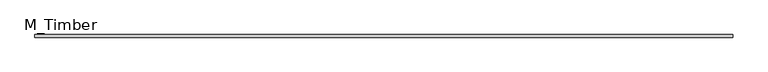
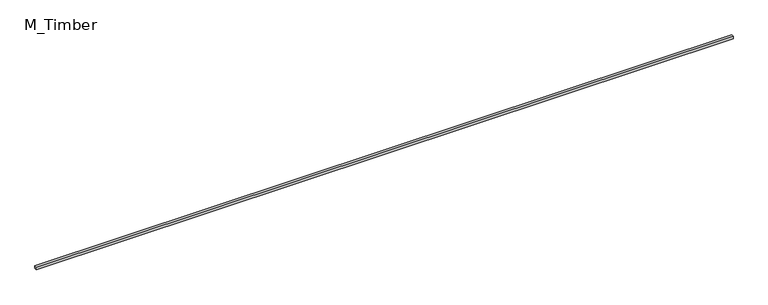
"""IFC4 building model written with IfcOpenShell, lengths in millimetres: beam geometry, M_Timber."""

from ifc_helpers import new_model, si_unit, frame, origin, place, context, project, spatial, polyline, outline, extrude, source, transform, mapped, element, save


def m_timber_e83badf3(model_context):
    return source(origin(), model_context, "Body", "SweptSolid", [
        extrude(outline(polyline([(5255.7903751, 20.0), (5255.7903751, -20.0), (-5255.7903751, -20.0), (-5255.7903751, 20.0), (5255.7903751, 20.0)])), frame((0.0, 0.0, -20.0), z_axis=(0.0, 0.0, 1.0), x_axis=(1.0, 0.0, 0.0)), (0.0, 0.0, 1.0), 40.0),
    ])


if __name__ == "__main__":
    model = new_model("IFC4")
    model_context = context("Model", 3, world=origin())
    ifc_project = project(units=[si_unit("LENGTHUNIT", "METRE", prefix="MILLI")], contexts=[model_context])
    site = spatial("IfcSite", under=ifc_project)
    building = spatial("IfcBuilding", under=site)
    placement = place(None, origin())
    m_timber_shape = m_timber_e83badf3(model_context)
    element("IfcBeam", 1, ObjectType="M_Timber", at=placement, inside=building, context=model_context, shape_type="MappedRepresentation", body=[
        mapped(m_timber_shape, transform((0.0, 0.0, 0.0), x_axis=(1.0, 0.0, 0.0), y_axis=(0.0, 1.0, 0.0), z_axis=(0.0, 0.0, 1.0))),
    ])
    save(model, "model.ifc")
